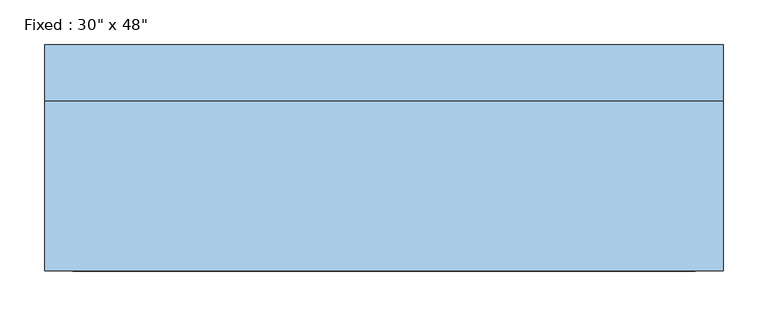
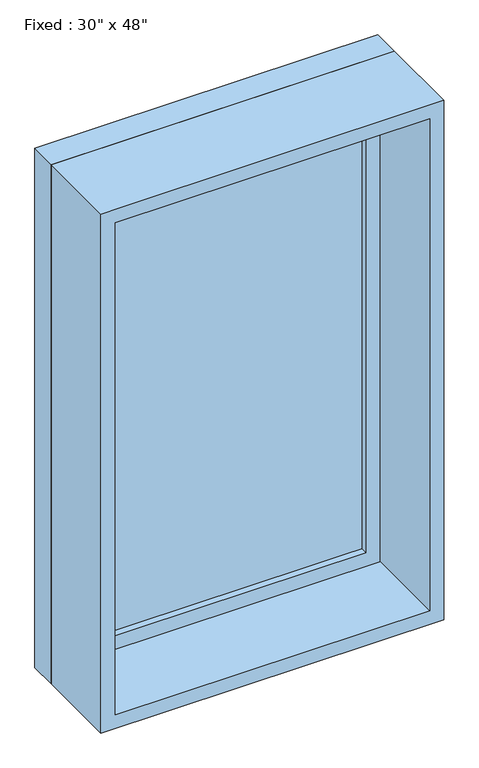
"""IFC4 building model written with IfcOpenShell, lengths in millimetres: window geometry."""

from ifc_helpers import new_model, si_unit, frame, origin, place, context, project, spatial, polyline, outline, extrude, source, transform, mapped, element, save


def window_429bf942(model_context):
    return source(origin(), model_context, "Body", "SweptSolid", [
        extrude(outline(polyline([(279.4, 79.375), (-355.6, 79.375), (-355.6, 92.075), (279.4, 92.075), (279.4, 79.375)])), frame((0.0, 0.0, 368.3), z_axis=(0.0, 0.0, 1.0), x_axis=(1.0, 0.0, 0.0)), (0.0, 0.0, 1.0), 1092.2),
        extrude(outline(polyline([(1504.95, -400.05), (323.85, -400.05), (323.85, 323.85), (1504.95, 323.85), (1504.95, -400.05)]), holes=[polyline([(1460.5, -355.6), (1460.5, 279.4), (368.3, 279.4), (368.3, -355.6), (1460.5, -355.6)])]), frame((0.0, 63.5, 0.0), z_axis=(0.0, 1.0, 0.0), x_axis=(0.0, 0.0, 1.0)), (0.0, 0.0, 1.0), 44.45),
        extrude(outline(polyline([(1524.0, -419.1), (304.8, -419.1), (304.8, 342.9), (1524.0, 342.9), (1524.0, -419.1)]), holes=[polyline([(1492.25, -387.35), (1492.25, 311.15), (336.55, 311.15), (336.55, -387.35), (1492.25, -387.35)])]), frame((0.0, -127.0, 0.0), z_axis=(0.0, 1.0, 0.0), x_axis=(0.0, 0.0, 1.0)), (0.0, 0.0, 1.0), 190.5),
        extrude(outline(polyline([(1524.0, 342.9), (1524.0, -419.1), (304.8, -419.1), (304.8, 342.9), (1524.0, 342.9)]), holes=[polyline([(1504.95, 323.85), (323.85, 323.85), (323.85, -400.05), (1504.95, -400.05), (1504.95, 323.85)])]), frame((0.0, 63.5, 0.0), z_axis=(0.0, 1.0, 0.0), x_axis=(0.0, 0.0, 1.0)), (0.0, 0.0, 1.0), 63.5),
    ])


if __name__ == "__main__":
    model = new_model("IFC4")
    model_context = context("Model", 3, world=origin())
    ifc_project = project(units=[si_unit("LENGTHUNIT", "METRE", prefix="MILLI")], contexts=[model_context])
    site = spatial("IfcSite", under=ifc_project)
    building = spatial("IfcBuilding", under=site)
    placement = place(None, origin())
    window_shape = window_429bf942(model_context)
    element("IfcWindow", 1, ObjectType="Fixed : 30\" x 48\"", at=placement, inside=building, context=model_context, shape_type="MappedRepresentation", body=[
        mapped(window_shape, transform((0.0, 0.0, 0.0), x_axis=(1.0, 0.0, 0.0), y_axis=(0.0, 1.0, 0.0), z_axis=(0.0, 0.0, 1.0))),
    ])
    save(model, "model.ifc")
